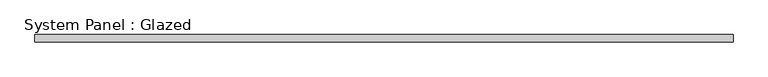
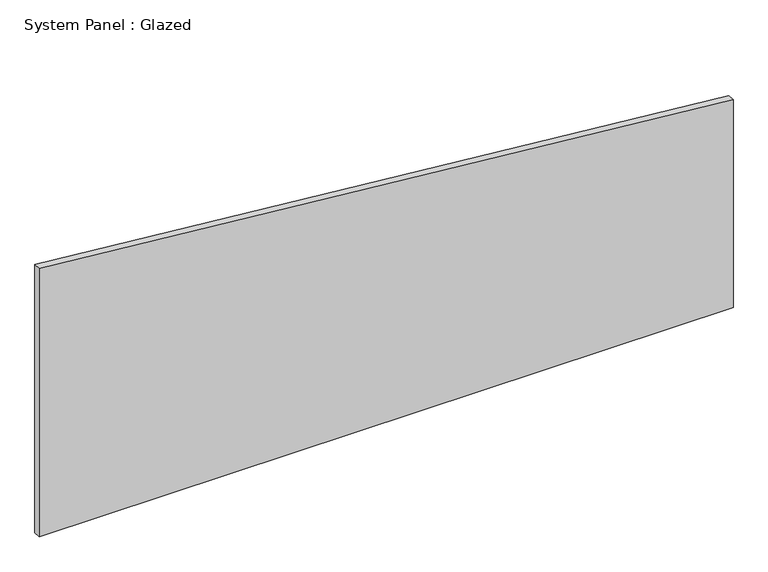
"""IFC4 building model written with IfcOpenShell, lengths in millimetres: plate geometry, System Panel : Glazed."""

from ifc_helpers import new_model, si_unit, frame, origin, place, context, project, spatial, polyline, outline, extrude, source, transform, mapped, element, save


def system_panel_glazed_7dc78805(model_context):
    return source(origin(), model_context, "Body", "SweptSolid", [
        extrude(outline(polyline([(0.0, -1171.7121958), (0.0, 1171.7121958), (741.2130305, 1171.7121958), (958.1885956, -1171.7121958), (0.0, -1171.7121958)])), frame((0.0, 24.5, 0.0), z_axis=(0.0, 1.0, 0.0), x_axis=(0.0, 0.0, 1.0)), (0.0, 0.0, 1.0), 25.0),
    ])


if __name__ == "__main__":
    model = new_model("IFC4")
    model_context = context("Model", 3, world=origin())
    ifc_project = project(units=[si_unit("LENGTHUNIT", "METRE", prefix="MILLI")], contexts=[model_context])
    site = spatial("IfcSite", under=ifc_project)
    building = spatial("IfcBuilding", under=site)
    placement = place(None, origin())
    system_panel_glazed_shape = system_panel_glazed_7dc78805(model_context)
    element("IfcPlate", 1, ObjectType="System Panel : Glazed", at=placement, inside=building, context=model_context, shape_type="MappedRepresentation", body=[
        mapped(system_panel_glazed_shape, transform((0.0, 0.0, 0.0), x_axis=(1.0, 0.0, 0.0), y_axis=(0.0, 1.0, 0.0), z_axis=(0.0, 0.0, 1.0))),
    ])
    save(model, "model.ifc")
